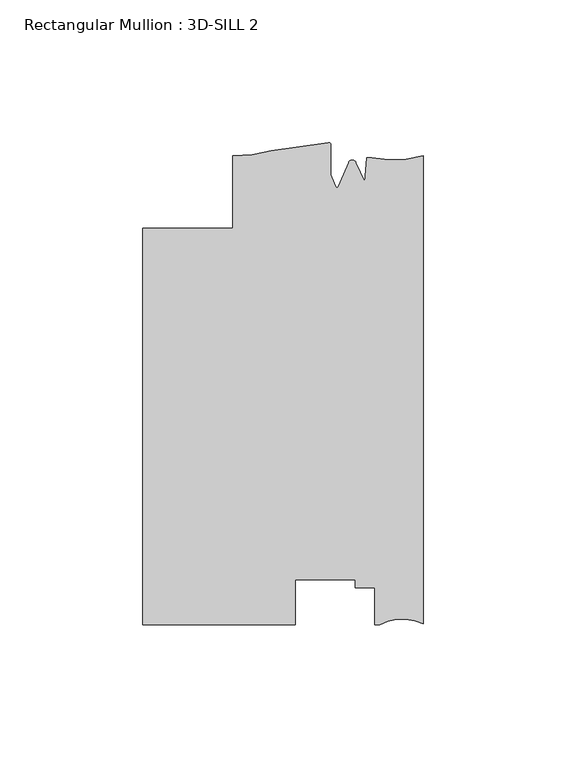
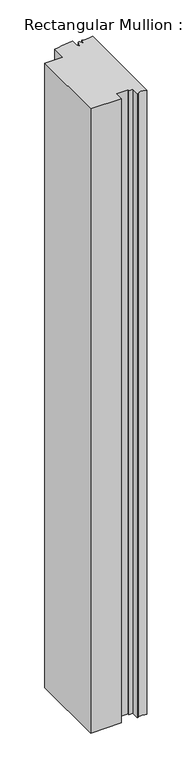
"""IFC4 building model written with IfcOpenShell, lengths in millimetres: member geometry, Rectangular Mullion : 3D-SILL 2."""

import ifcopenshell
import ifcopenshell.guid

model = None  # the IFC model being written
_history = None  # IfcOwnerHistory: only IFC2X3 demands one
_inside = {}  # id of a spatial element -> (the spatial element, [elements in it])
_under = {}  # id of a project, library or spatial element -> (it, [spatial elements below it])
_declared = {}  # id of a project -> (the project, [libraries it declares])
_typed = {}  # id of a type object -> (the type object, [elements of that type])
_made_of = {}  # id of a material, layer set ... -> (it, [elements and type objects made of it])


def new_model(schema):
    """Start an empty IFC model of exactly this schema.

    Asked for "IFC4X3", IfcOpenShell would pick the latest addendum, in which some entities
    have other attributes; the version numbers below select the first issue.
    IFC2X3 requires an IfcOwnerHistory on every rooted entity: one is made here for all.
    """
    global model, _history
    if schema == "IFC4X3":
        model = ifcopenshell.file(schema_version=(4, 3, 0, 0))
    else:
        model = ifcopenshell.file(schema=schema)
    _inside.clear()
    _under.clear()
    _declared.clear()
    _typed.clear()
    _made_of.clear()
    _history = None
    if model.schema == "IFC2X3":
        org = make("IfcOrganization", Name="unknown")
        user = make(
            "IfcPersonAndOrganization",
            ThePerson=make("IfcPerson", FamilyName="unknown"),
            TheOrganization=org,
        )
        app = make(
            "IfcApplication",
            ApplicationDeveloper=org,
            Version="unknown",
            ApplicationFullName="unknown",
            ApplicationIdentifier="unknown",
        )
        _history = make(
            "IfcOwnerHistory",
            OwningUser=user,
            OwningApplication=app,
            ChangeAction="ADDED",
            CreationDate=0,
        )
    return model


def make(cls, **values):
    """One entity of the class cls with the attributes given. An attribute that is None is left unset."""
    return model.create_entity(
        cls, **{name: value for name, value in values.items() if value is not None}
    )


def rooted(cls, **values):
    """An entity with a GlobalId (a new one), such as an element, a storey or a relation."""
    return make(cls, GlobalId=ifcopenshell.guid.new(), OwnerHistory=_history, **values)


def si_unit(unit_type, name, prefix=None):
    """IfcSIUnit, for example si_unit("LENGTHUNIT", "METRE", prefix="MILLI")."""
    return make("IfcSIUnit", UnitType=unit_type, Prefix=prefix, Name=name)


def assignment(units):
    """IfcUnitAssignment: the units of a project."""
    return None if units is None else make("IfcUnitAssignment", Units=units)


def point(xyz):
    """IfcCartesianPoint."""
    return None if xyz is None else make("IfcCartesianPoint", Coordinates=xyz)


def direction(xyz):
    """IfcDirection."""
    return None if xyz is None else make("IfcDirection", DirectionRatios=xyz)


def frame(location, z_axis=None, x_axis=None):
    """IfcAxis2Placement3D, a coordinate frame: its origin and axes. An axis left out is left unset."""
    return make(
        "IfcAxis2Placement3D",
        Location=point(location),
        Axis=direction(z_axis),
        RefDirection=direction(x_axis),
    )


def origin():
    """The frame at (0, 0, 0) with its axes left unset."""
    return frame((0.0, 0.0, 0.0))


def place(relative_to, where):
    """IfcLocalPlacement: puts the frame where relative to a parent placement (None: the world)."""
    return make(
        "IfcLocalPlacement", PlacementRelTo=relative_to, RelativePlacement=where
    )


def context(
    kind, dimensions, precision=None, world=None, true_north=None, identifier=None
):
    """IfcGeometricRepresentationContext, for example the 3D "Model" context."""
    return make(
        "IfcGeometricRepresentationContext",
        ContextIdentifier=identifier,
        ContextType=kind,
        CoordinateSpaceDimension=dimensions,
        Precision=precision,
        WorldCoordinateSystem=world,
        TrueNorth=true_north,
    )


def project(units=None, contexts=None):
    """IfcProject with its units and contexts."""
    return rooted(
        "IfcProject",
        Name="project",
        RepresentationContexts=contexts,
        UnitsInContext=assignment(units),
    )


def spatial(cls, under=None, at=None, **own):
    """A site, building, storey or space (cls), placed at a placement, below another one or the project."""
    s = rooted(cls, ObjectPlacement=at, **own)
    if under is not None:
        _under.setdefault(under.id(), (under, []))[1].append(s)
    return s


def polyline(points):
    """IfcPolyline through the points."""
    return make("IfcPolyline", Points=[point(p) for p in points])


def circle_curve(where, radius):
    """IfcCircle in the frame where."""
    return make("IfcCircle", Position=where, Radius=radius)


def shape(context_of_items, identifier, shape_type, items):
    """IfcShapeRepresentation: the items that make up one representation, for example the "Body"."""
    return make(
        "IfcShapeRepresentation",
        ContextOfItems=context_of_items,
        RepresentationIdentifier=identifier,
        RepresentationType=shape_type,
        Items=items,
    )


def source(mapping_origin, context_of_items, identifier, shape_type, items):
    """IfcRepresentationMap: a shape defined once, which mapped items show again and again."""
    return make(
        "IfcRepresentationMap",
        MappingOrigin=mapping_origin,
        MappedRepresentation=shape(context_of_items, identifier, shape_type, items),
    )


def transform(
    local_origin,
    x_axis=None,
    y_axis=None,
    z_axis=None,
    scale=None,
    scale2=None,
    scale3=None,
    uniform=True,
):
    """IfcCartesianTransformationOperator3D, or its non-uniform kind. x_axis, y_axis, z_axis: its Axis1, 2, 3."""
    if uniform:
        return make(
            "IfcCartesianTransformationOperator3D",
            Axis1=direction(x_axis),
            Axis2=direction(y_axis),
            LocalOrigin=point(local_origin),
            Scale=scale,
            Axis3=direction(z_axis),
        )
    return make(
        "IfcCartesianTransformationOperator3DnonUniform",
        Axis1=direction(x_axis),
        Axis2=direction(y_axis),
        LocalOrigin=point(local_origin),
        Scale=scale,
        Axis3=direction(z_axis),
        Scale2=scale2,
        Scale3=scale3,
    )


def mapped(mapping_source, mapping_target):
    """IfcMappedItem: shows the shape of a source again, moved by a transform."""
    return make(
        "IfcMappedItem", MappingSource=mapping_source, MappingTarget=mapping_target
    )


def made_of(thing, what):
    """Note that an element or type object is made of a material, layer set ...; save() writes the relation."""
    if what is not None:
        _made_of.setdefault(what.id(), (what, []))[1].append(thing)
    return thing


def element(
    cls,
    number,
    at=None,
    inside=None,
    cuts=None,
    type_object=None,
    material=None,
    context=None,
    identifier="Body",
    shape_type=None,
    held_by="IfcProductDefinitionShape",
    body=None,
    shapes=None,
    **own,
):
    """One element of the class cls, such as IfcWall. Its Tag is "e" and its number.

    at: its placement. inside: the storey or other place that contains it. cuts: it is an
    opening in that element (IfcRelVoidsElement). A single representation is given by context,
    identifier, shape_type and body (its items); several are given by shapes. held_by: the class
    of the entity that holds the representations. save() writes the other relations.
    """
    e = rooted(cls, Tag="e%d" % number, ObjectPlacement=at, **own)
    if body is not None:
        shapes = [shape(context, identifier, shape_type, body)]
    if shapes is not None:
        e.Representation = make(held_by, Representations=shapes)
    if inside is not None:
        _inside.setdefault(inside.id(), (inside, []))[1].append(e)
    if cuts is not None:
        rooted(
            "IfcRelVoidsElement", RelatingBuildingElement=cuts, RelatedOpeningElement=e
        )
    if type_object is not None:
        _typed.setdefault(type_object.id(), (type_object, []))[1].append(e)
    return made_of(e, material)


def aggregate(whole, parts):
    """IfcRelAggregates: a whole, such as a stair, and the parts it consists of."""
    return rooted("IfcRelAggregates", RelatingObject=whole, RelatedObjects=parts)


def save(model, path):
    """Write the relations noted so far, then the file.

    IfcRelAggregates (storeys below a building ...), IfcRelContainedInSpatialStructure (elements
    in a storey), IfcRelDefinesByType, IfcRelAssociatesMaterial and IfcRelDeclares: one each for
    every whole, place, type object, material and project.
    """
    for whole, parts in _under.values():
        aggregate(whole, parts)
    for where, things in _inside.values():
        rooted(
            "IfcRelContainedInSpatialStructure",
            RelatedElements=things,
            RelatingStructure=where,
        )
    for kind, things in _typed.values():
        rooted("IfcRelDefinesByType", RelatedObjects=things, RelatingType=kind)
    for what, things in _made_of.values():
        rooted("IfcRelAssociatesMaterial", RelatedObjects=things, RelatingMaterial=what)
    for by, libraries in _declared.values():
        rooted("IfcRelDeclares", RelatingContext=by, RelatedDefinitions=libraries)
    model.write(path)


def plane_surface(at):
    """IfcPlane: the flat surface through the origin of the frame at, square to its z axis."""
    return make("IfcPlane", Position=at)


def cylinder_surface(at, radius):
    """IfcCylindricalSurface: all points at the distance radius from the z axis of the frame at."""
    return make("IfcCylindricalSurface", Position=at, Radius=radius)


def revolved_surface(curve, axis_point, axis_direction):
    """IfcSurfaceOfRevolution: the curve turned about the line through axis_point along axis_direction."""
    return make(
        "IfcSurfaceOfRevolution",
        SweptCurve=make("IfcArbitraryOpenProfileDef", ProfileType="CURVE", Curve=curve),
        AxisPosition=make("IfcAxis1Placement", Location=point(axis_point), Axis=direction(axis_direction)),
    )


def advanced_brep(points, edges, surfaces, faces):
    """IfcAdvancedBrep: a solid bounded by faces that lie on surfaces and meet in shared edges.

    An edge is (start, end): straight between two places in points (the first is 0);
    or (start, end, curve); or (start, end, curve, False) where it runs against its curve.
    A face is (place in surfaces, loops), or (place, loops, False) where it looks against
    its surface's normal. A loop lists edges by number (the first is 1), with a minus sign
    where the edge is run from its end to its start. The first loop is the outer one.
    """
    corners = [point(p) for p in points]
    vertices = [make("IfcVertexPoint", VertexGeometry=c) for c in corners]
    made = []
    for start, end, *more in edges:
        made.append(
            make(
                "IfcEdgeCurve",
                EdgeStart=vertices[start],
                EdgeEnd=vertices[end],
                EdgeGeometry=more[0] if more else make("IfcPolyline", Points=[corners[start], corners[end]]),
                SameSense=more[1] if len(more) > 1 else True,
            )
        )
    hull = []
    for where, loops, *sense in faces:
        bounds = []
        for j, loop in enumerate(loops):
            ring = [make("IfcOrientedEdge", EdgeElement=made[abs(k) - 1], Orientation=k > 0) for k in loop]
            bounds.append(
                make(
                    "IfcFaceOuterBound" if j == 0 else "IfcFaceBound",
                    Bound=make("IfcEdgeLoop", EdgeList=ring),
                    Orientation=True,
                )
            )
        hull.append(make("IfcAdvancedFace", Bounds=bounds, FaceSurface=surfaces[where], SameSense=sense[0] if sense else True))
    return make("IfcAdvancedBrep", Outer=make("IfcClosedShell", CfsFaces=hull))


def rectangular_mullion_3d_sill_2_6689e119(model_context):
    return source(origin(), model_context, "Body", "AdvancedBrep", [
        advanced_brep(
        [(-98.425, 56.896, 0.0), (-98.425, -82.296, 0.0), (-44.8099503, -82.296, 0.0), (-44.8099503, -66.3975955, 0.0), (-23.8633011, -66.3975955, 0.0), (-23.8633011, -69.2522008, 0.0), (-17.0053014, -69.2522008, 0.0), (-17.0053014, -82.296, 0.0), (-15.1680895, -82.296, 0.0), (0.0, -81.915, 0.0), (0.0, 82.296, 0.0), (-18.0334985, 81.5392621, 0.0), (-19.8211861, 81.6499282, 0.0), (-20.3867288, 73.2506089, 0.0), (-23.5593147, 79.9446564, 0.0), (-26.1362138, 79.9446564, 0.0), (-29.8075652, 71.5280889, 0.0), (-30.5559634, 71.5280889, 0.0), (-32.384137, 75.7191742, 0.0), (-32.384137, 86.2094594, 0.0), (-33.3130099, 86.9529629, 0.0), (-53.2924277, 84.1119632, 0.0), (-66.6751132, 82.296, 0.0), (-66.6751132, 56.8966464, 0.0), (-98.425, 56.896, -1155.7), (-66.6751132, 56.8966464, -1155.7), (-66.6751132, 82.296, -1155.7), (-53.2924277, 84.1119632, -1155.7), (-33.3138356, 86.9527771, -1155.7), (-32.384137, 86.2094594, -1155.7), (-32.384137, 75.7191742, -1155.7), (-30.5559634, 71.5280889, -1155.7), (-29.8075652, 71.5280889, -1155.7), (-26.1362138, 79.9446564, -1155.7), (-23.5593147, 79.9446564, -1155.7), (-20.3867288, 73.2506089, -1155.7), (-19.8211861, 81.6499282, -1155.7), (-18.0334985, 81.5392621, -1155.7), (0.0, 82.296, -1155.7), (0.0, -81.915, -1155.7), (-15.1680895, -82.296, -1155.7), (-17.0053014, -82.296, -1155.7), (-17.0053014, -69.2522008, -1155.7), (-23.8633011, -69.2522008, -1155.7), (-23.8633011, -66.3975955, -1155.7), (-44.8099503, -66.3975955, -1155.7), (-44.8099503, -82.296, -1155.7), (-98.425, -82.296, -1155.7)],
        [
            (0, 1),
            (1, 2),
            (2, 3),
            (3, 4),
            (4, 5),
            (5, 6),
            (6, 7),
            (7, 8),
            (8, 9, circle_curve(frame((-7.2326507, -96.0949391, 0.0), z_axis=(0.0, 0.0, -1.0), x_axis=(0.0, -1.0, 0.0)), 15.9179744)),
            (9, 10),
            (10, 11, circle_curve(frame((-10.6264113, 120.2768025, 0.0), z_axis=(0.0, 0.0, -1.0), x_axis=(0.0, -1.0, 0.0)), 39.4393455)),
            (11, 12),
            (12, 13),
            (13, 14),
            (14, 15, circle_curve(frame((-24.8477643, 79.4047428, 0.0), z_axis=(0.0, 0.0, 1.0), x_axis=(-0.9222974554240703, 0.38648079346622805, 0.0)), 1.397)),
            (15, 16),
            (16, 17, circle_curve(frame((-30.1817643, 71.4564228, 0.0), z_axis=(0.0, 0.0, -1.0), x_axis=(-0.9821498950386456, 0.1880999300254456, 0.0)), 0.381)),
            (17, 18),
            (18, 19),
            (19, 20, circle_curve(frame((-33.146137, 86.2094594, 0.0), z_axis=(0.0, 0.0, 1.0), x_axis=(1.0, 0.0, 0.0)), 0.762)),
            (20, 21, circle_curve(frame((-61.125498, 210.871727, 0.0), z_axis=(0.0, 0.0, -1.0), x_axis=(0.2189867881896227, -0.9757278240361876, 0.0)), 127.0015539)),
            (21, 22, circle_curve(frame((-65.8289407, 126.2797855, 0.0), z_axis=(0.0, 0.0, -1.0), x_axis=(0.0, -1.0, 0.0)), 43.9919242)),
            (22, 23),
            (23, 0),
            (24, 25),
            (25, 26),
            (26, 27, circle_curve(frame((-65.8289407, 126.2797855, -1155.7), z_axis=(0.0, 0.0, 1.0), x_axis=(0.0, -1.0, 0.0)), 43.9919242)),
            (27, 28, circle_curve(frame((-61.125498, 210.871727, -1155.7), z_axis=(0.0, 0.0, 1.0), x_axis=(0.2189867881896227, -0.9757278240361876, 0.0)), 127.0015539)),
            (28, 29, circle_curve(frame((-33.146137, 86.2094594, -1155.7), z_axis=(0.0, 0.0, -1.0), x_axis=(1.0, 0.0, 0.0)), 0.762)),
            (29, 30),
            (30, 31),
            (31, 32, circle_curve(frame((-30.1817643, 71.4564228, -1155.7), z_axis=(0.0, 0.0, 1.0), x_axis=(-0.9821498950386456, 0.1880999300254456, 0.0)), 0.381)),
            (32, 33),
            (33, 34, circle_curve(frame((-24.8477643, 79.4047428, -1155.7), z_axis=(0.0, 0.0, -1.0), x_axis=(-0.9222974554240703, 0.38648079346622805, 0.0)), 1.397)),
            (34, 35),
            (35, 36),
            (36, 37),
            (37, 38, circle_curve(frame((-10.6264113, 120.2768025, -1155.7), z_axis=(0.0, 0.0, 1.0), x_axis=(0.0, -1.0, 0.0)), 39.4393455)),
            (38, 39),
            (39, 40, circle_curve(frame((-7.2326507, -96.0949391, -1155.7), z_axis=(0.0, 0.0, 1.0), x_axis=(0.0, -1.0, 0.0)), 15.9179744)),
            (40, 41),
            (41, 42),
            (42, 43),
            (43, 44),
            (44, 45),
            (45, 46),
            (46, 47),
            (47, 24),
            (0, 24),
            (47, 1),
            (46, 2),
            (45, 3),
            (44, 4),
            (43, 5),
            (42, 6),
            (41, 7),
            (40, 8),
            (39, 9),
            (38, 10),
            (37, 11),
            (36, 12),
            (35, 13),
            (34, 14),
            (33, 15),
            (32, 16),
            (31, 17),
            (30, 18),
            (29, 19),
            (28, 20),
            (27, 21),
            (26, 22),
            (25, 23),
        ],
        [
            plane_surface(frame((0.0, -128.2969689, 0.0), z_axis=(0.0, 0.0, 1.0), x_axis=(-1.0, 0.0, 0.0))),
            plane_surface(frame((0.0, -128.2969689, -1155.7), z_axis=(0.0, 0.0, -1.0), x_axis=(-1.0, 0.0, 0.0))),
            plane_surface(frame((-98.425, 56.896, 0.0), z_axis=(-1.0, 0.0, 0.0), x_axis=(0.0, 0.0, -1.0))),
            plane_surface(frame((-98.425, -82.296, 0.0), z_axis=(0.0, -1.0, 0.0), x_axis=(0.0, 0.0, -1.0))),
            plane_surface(frame((-44.8099503, -82.296, 0.0), z_axis=(1.0, 0.0, 0.0), x_axis=(0.0, 0.0, -1.0))),
            plane_surface(frame((-44.8099503, -66.3975955, 0.0), z_axis=(0.0, -1.0, 0.0), x_axis=(0.0, 0.0, -1.0))),
            plane_surface(frame((-23.8633011, -66.3975955, 0.0), z_axis=(-1.0, 0.0, 0.0), x_axis=(0.0, 0.0, -1.0))),
            plane_surface(frame((-23.8633011, -69.2522008, 0.0), z_axis=(0.0, -1.0, 0.0), x_axis=(0.0, 0.0, -1.0))),
            plane_surface(frame((-17.0053014, -69.2522008, 0.0), z_axis=(-1.0, 0.0, 0.0), x_axis=(0.0, 0.0, -1.0))),
            plane_surface(frame((-17.0053014, -82.296, 0.0), z_axis=(0.0, -1.0, 0.0), x_axis=(0.0, 0.0, -1.0))),
            revolved_surface(polyline([(-7.2326507, -112.01291350000001, -1155.7), (-7.2326507, -112.01291350000001, 0.0)]), (-7.2326507, -96.0949391, 0.0), (0.0, 0.0, -1.0)),
            plane_surface(frame((0.0, -81.915, 0.0), z_axis=(1.0, 0.0, 0.0), x_axis=(0.0, 0.0, -1.0))),
            revolved_surface(polyline([(-10.6264113, 80.837457, -1155.7), (-10.6264113, 80.837457, 0.0)]), (-10.6264113, 120.2768025, 0.0), (0.0, 0.0, -1.0)),
            plane_surface(frame((-18.0334985, 81.5392621, 0.0), z_axis=(0.0617863276188998, 0.9980893996628609, 0.0), x_axis=(0.0, 0.0, -1.0))),
            plane_surface(frame((-19.8211861, 81.6499282, 0.0), z_axis=(-0.997740881645106, 0.06717985631159565, 0.0), x_axis=(0.0, 0.0, -1.0))),
            plane_surface(frame((-20.3867288, 73.2506089, 0.0), z_axis=(0.9036479198265283, 0.4282761223710569, 0.0), x_axis=(0.0, 0.0, -1.0))),
            cylinder_surface(frame((-24.8477643, 79.4047428, 0.0), z_axis=(0.0, 0.0, 1.0), x_axis=(-0.9222974554240703, 0.38648079346622805, 0.0)), 1.397),
            plane_surface(frame((-26.1362138, 79.9446564, 0.0), z_axis=(-0.9165925711538568, 0.3998225337641213, 0.0), x_axis=(0.0, 0.0, -1.0))),
            revolved_surface(polyline([(-30.555963410009724, 71.5280888733397, -1155.7), (-30.555963410009724, 71.5280888733397, 0.0)]), (-30.1817643, 71.4564228, 0.0), (0.0, 0.0, -1.0)),
            plane_surface(frame((-30.5559634, 71.5280889, 0.0), z_axis=(0.9165925711538717, 0.39982253376408716, 0.0), x_axis=(0.0, 0.0, -1.0))),
            plane_surface(frame((-32.384137, 75.7191742, 0.0), z_axis=(1.0, 0.0, 0.0), x_axis=(0.0, 0.0, -1.0))),
            cylinder_surface(frame((-33.146137, 86.2094594, 0.0), z_axis=(0.0, 0.0, 1.0), x_axis=(1.0, 0.0, 0.0)), 0.762),
            revolved_surface(polyline([(-33.313835616347745, 86.95277716393839, -1155.7000000000005), (-33.313835616347745, 86.95277716393839, 0.0)]), (-61.125498, 210.871727, 0.0), (0.0, 0.0, -1.0000000000000002)),
            revolved_surface(polyline([(-65.8289407, 82.2878613, -1155.7), (-65.8289407, 82.2878613, 0.0)]), (-65.8289407, 126.2797855, 0.0), (0.0, 0.0, -1.0)),
            plane_surface(frame((-66.6751132, 82.296, 0.0), z_axis=(-1.0, 0.0, 0.0), x_axis=(0.0, 0.0, -1.0))),
            plane_surface(frame((-66.6751132, 56.8966464, 0.0), z_axis=(-2.0360673595886705e-05, 0.9999999997927215, 0.0), x_axis=(0.0, 0.0, -1.0))),
        ],
        [
            (0, [[1, 2, 3, 4, 5, 6, 7, 8, 9, 10, 11, 12, 13, 14, 15, 16, 17, 18, 19, 20, 21, 22, 23, 24]]),
            (1, [[25, 26, 27, 28, 29, 30, 31, 32, 33, 34, 35, 36, 37, 38, 39, 40, 41, 42, 43, 44, 45, 46, 47, 48]]),
            (2, [[-1, 49, -48, 50]]),
            (3, [[-2, -50, -47, 51]]),
            (4, [[-3, -51, -46, 52]]),
            (5, [[-4, -52, -45, 53]]),
            (6, [[-5, -53, -44, 54]]),
            (7, [[-6, -54, -43, 55]]),
            (8, [[-7, -55, -42, 56]]),
            (9, [[-8, -56, -41, 57]]),
            (10, [[-9, -57, -40, 58]]),
            (11, [[-10, -58, -39, 59]]),
            (12, [[-11, -59, -38, 60]]),
            (13, [[-12, -60, -37, 61]]),
            (14, [[-13, -61, -36, 62]]),
            (15, [[-14, -62, -35, 63]]),
            (16, [[-15, -63, -34, 64]]),
            (17, [[-16, -64, -33, 65]]),
            (18, [[-17, -65, -32, 66]]),
            (19, [[-18, -66, -31, 67]]),
            (20, [[-19, -67, -30, 68]]),
            (21, [[-20, -68, -29, 69]]),
            (22, [[-21, -69, -28, 70]]),
            (23, [[-22, -70, -27, 71]]),
            (24, [[-23, -71, -26, 72]]),
            (25, [[-24, -72, -25, -49]]),
        ],
    ),
    ])


if __name__ == "__main__":
    model = new_model("IFC4")
    model_context = context("Model", 3, world=origin())
    ifc_project = project(units=[si_unit("LENGTHUNIT", "METRE", prefix="MILLI")], contexts=[model_context])
    site = spatial("IfcSite", under=ifc_project)
    building = spatial("IfcBuilding", under=site)
    placement = place(None, origin())
    rectangular_mullion_3d_sill_2_shape = rectangular_mullion_3d_sill_2_6689e119(model_context)
    element("IfcMember", 1, ObjectType="Rectangular Mullion : 3D-SILL 2", at=placement, inside=building, context=model_context, shape_type="MappedRepresentation", body=[
        mapped(rectangular_mullion_3d_sill_2_shape, transform((0.0, 0.0, 0.0), x_axis=(1.0, 0.0, 0.0), y_axis=(0.0, 1.0, 0.0), z_axis=(0.0, 0.0, 1.0))),
    ])
    save(model, "model.ifc")
